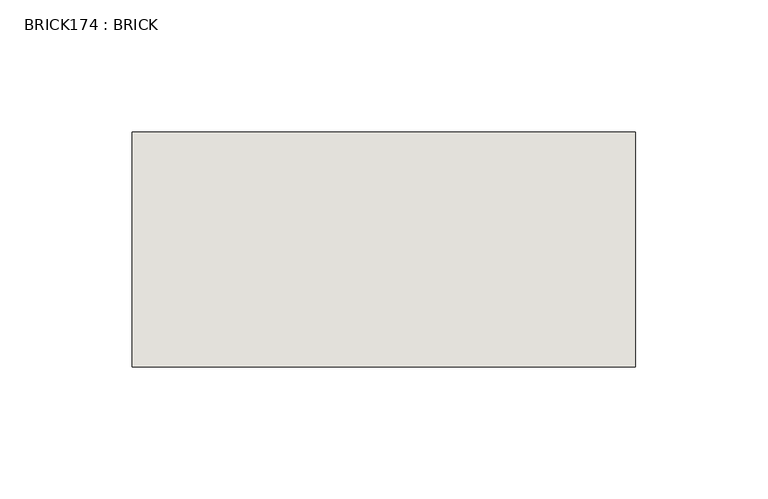
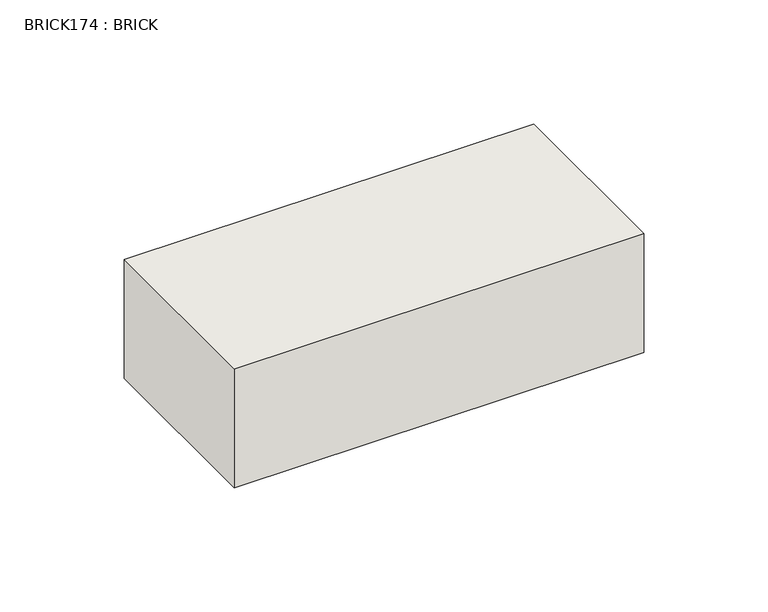
"""IFC4 building model written with IfcOpenShell, lengths in millimetres: wall geometry, BRICK174 : BRICK."""

from ifc_helpers import new_model, si_unit, frame, origin, place, context, project, spatial, polyline, outline, extrude, source, transform, mapped, element, save


def brick174_brick_f486be99(model_context):
    return source(origin(), model_context, "Body", "SweptSolid", [
        extrude(outline(polyline([(-159.1316239, 3062.3923312), (31.3683761, 3062.3923312), (31.3683761, 2973.4923312), (-159.1316239, 2973.4923312), (-159.1316239, 3062.3923312)])), frame((0.0, 0.0, 353.7148438), z_axis=(0.0, 0.0, 1.0), x_axis=(1.0, 0.0, 0.0)), (0.0, 0.0, 1.0), 58.4398437),
    ])


if __name__ == "__main__":
    model = new_model("IFC4")
    model_context = context("Model", 3, world=origin())
    ifc_project = project(units=[si_unit("LENGTHUNIT", "METRE", prefix="MILLI")], contexts=[model_context])
    site = spatial("IfcSite", under=ifc_project)
    building = spatial("IfcBuilding", under=site)
    placement = place(None, origin())
    brick174_brick_shape = brick174_brick_f486be99(model_context)
    element("IfcWall", 1, ObjectType="BRICK174 : BRICK", at=placement, inside=building, context=model_context, shape_type="MappedRepresentation", body=[
        mapped(brick174_brick_shape, transform((0.0, 0.0, 0.0), x_axis=(1.0, 0.0, 0.0), y_axis=(0.0, 1.0, 0.0), z_axis=(0.0, 0.0, 1.0))),
    ])
    save(model, "model.ifc")
